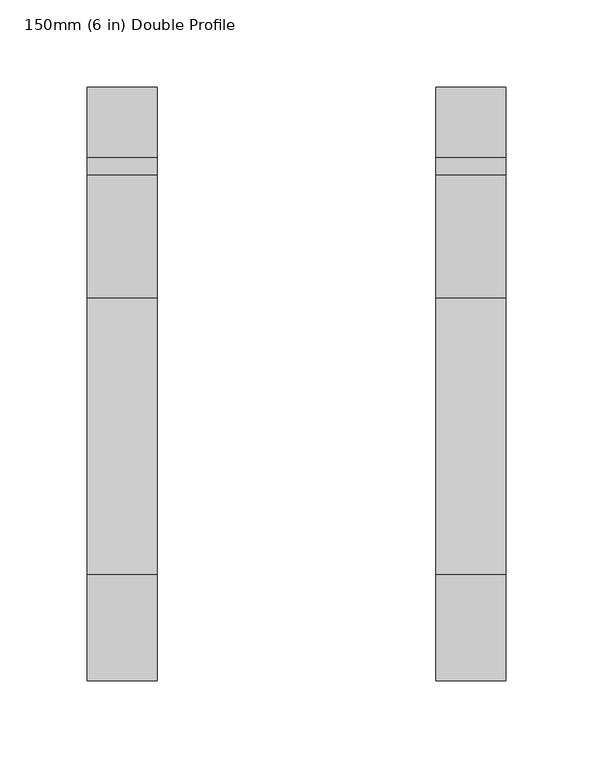
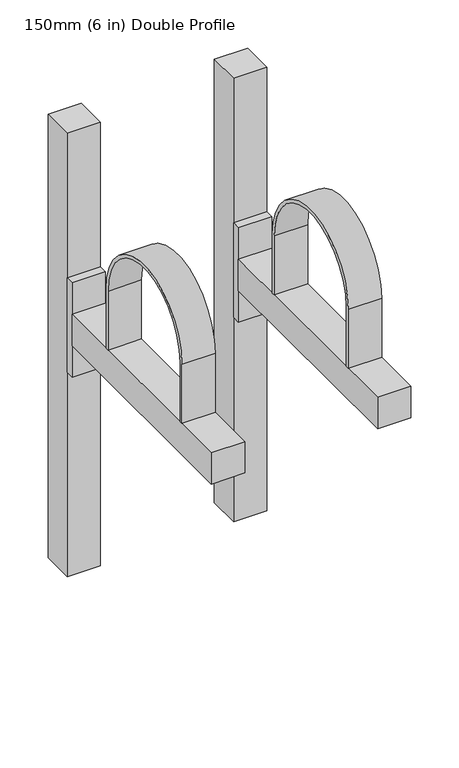
"""IFC4 building model written with IfcOpenShell, lengths in millimetres: proxy geometry, 150mm (6 in) Double Profile."""

import ifcopenshell
import ifcopenshell.guid

model = None  # the IFC model being written
_history = None  # IfcOwnerHistory: only IFC2X3 demands one
_inside = {}  # id of a spatial element -> (the spatial element, [elements in it])
_under = {}  # id of a project, library or spatial element -> (it, [spatial elements below it])
_declared = {}  # id of a project -> (the project, [libraries it declares])
_typed = {}  # id of a type object -> (the type object, [elements of that type])
_made_of = {}  # id of a material, layer set ... -> (it, [elements and type objects made of it])


def new_model(schema):
    """Start an empty IFC model of exactly this schema.

    Asked for "IFC4X3", IfcOpenShell would pick the latest addendum, in which some entities
    have other attributes; the version numbers below select the first issue.
    IFC2X3 requires an IfcOwnerHistory on every rooted entity: one is made here for all.
    """
    global model, _history
    if schema == "IFC4X3":
        model = ifcopenshell.file(schema_version=(4, 3, 0, 0))
    else:
        model = ifcopenshell.file(schema=schema)
    _inside.clear()
    _under.clear()
    _declared.clear()
    _typed.clear()
    _made_of.clear()
    _history = None
    if model.schema == "IFC2X3":
        org = make("IfcOrganization", Name="unknown")
        user = make(
            "IfcPersonAndOrganization",
            ThePerson=make("IfcPerson", FamilyName="unknown"),
            TheOrganization=org,
        )
        app = make(
            "IfcApplication",
            ApplicationDeveloper=org,
            Version="unknown",
            ApplicationFullName="unknown",
            ApplicationIdentifier="unknown",
        )
        _history = make(
            "IfcOwnerHistory",
            OwningUser=user,
            OwningApplication=app,
            ChangeAction="ADDED",
            CreationDate=0,
        )
    return model


def make(cls, **values):
    """One entity of the class cls with the attributes given. An attribute that is None is left unset."""
    return model.create_entity(
        cls, **{name: value for name, value in values.items() if value is not None}
    )


def rooted(cls, **values):
    """An entity with a GlobalId (a new one), such as an element, a storey or a relation."""
    return make(cls, GlobalId=ifcopenshell.guid.new(), OwnerHistory=_history, **values)


def si_unit(unit_type, name, prefix=None):
    """IfcSIUnit, for example si_unit("LENGTHUNIT", "METRE", prefix="MILLI")."""
    return make("IfcSIUnit", UnitType=unit_type, Prefix=prefix, Name=name)


def assignment(units):
    """IfcUnitAssignment: the units of a project."""
    return None if units is None else make("IfcUnitAssignment", Units=units)


def point(xyz):
    """IfcCartesianPoint."""
    return None if xyz is None else make("IfcCartesianPoint", Coordinates=xyz)


def direction(xyz):
    """IfcDirection."""
    return None if xyz is None else make("IfcDirection", DirectionRatios=xyz)


def frame(location, z_axis=None, x_axis=None):
    """IfcAxis2Placement3D, a coordinate frame: its origin and axes. An axis left out is left unset."""
    return make(
        "IfcAxis2Placement3D",
        Location=point(location),
        Axis=direction(z_axis),
        RefDirection=direction(x_axis),
    )


def frame_2d(location, x_axis=None):
    """IfcAxis2Placement2D, a coordinate frame in the plane: its origin and x axis."""
    return make(
        "IfcAxis2Placement2D", Location=point(location), RefDirection=direction(x_axis)
    )


def origin():
    """The frame at (0, 0, 0) with its axes left unset."""
    return frame((0.0, 0.0, 0.0))


def origin_with_axes():
    """The frame at (0, 0, 0) with the z axis (0, 0, 1) and the x axis (1, 0, 0) written out."""
    return frame((0.0, 0.0, 0.0), z_axis=(0.0, 0.0, 1.0), x_axis=(1.0, 0.0, 0.0))


def place(relative_to, where):
    """IfcLocalPlacement: puts the frame where relative to a parent placement (None: the world)."""
    return make(
        "IfcLocalPlacement", PlacementRelTo=relative_to, RelativePlacement=where
    )


def context(
    kind, dimensions, precision=None, world=None, true_north=None, identifier=None
):
    """IfcGeometricRepresentationContext, for example the 3D "Model" context."""
    return make(
        "IfcGeometricRepresentationContext",
        ContextIdentifier=identifier,
        ContextType=kind,
        CoordinateSpaceDimension=dimensions,
        Precision=precision,
        WorldCoordinateSystem=world,
        TrueNorth=true_north,
    )


def project(units=None, contexts=None):
    """IfcProject with its units and contexts."""
    return rooted(
        "IfcProject",
        Name="project",
        RepresentationContexts=contexts,
        UnitsInContext=assignment(units),
    )


def spatial(cls, under=None, at=None, **own):
    """A site, building, storey or space (cls), placed at a placement, below another one or the project."""
    s = rooted(cls, ObjectPlacement=at, **own)
    if under is not None:
        _under.setdefault(under.id(), (under, []))[1].append(s)
    return s


def polyline(points):
    """IfcPolyline through the points."""
    return make("IfcPolyline", Points=[point(p) for p in points])


def circle_curve(where, radius):
    """IfcCircle in the frame where."""
    return make("IfcCircle", Position=where, Radius=radius)


def trimmed(basis, trim1, trim2, sense, master):
    """IfcTrimmedCurve: the piece of a basis curve between two trims."""
    return make(
        "IfcTrimmedCurve",
        BasisCurve=basis,
        Trim1=trim1,
        Trim2=trim2,
        SenseAgreement=sense,
        MasterRepresentation=master,
    )


def segment(curve, same_sense, transition):
    """IfcCompositeCurveSegment."""
    return make(
        "IfcCompositeCurveSegment",
        Transition=transition,
        SameSense=same_sense,
        ParentCurve=curve,
    )


def composite_curve(segments, self_intersect=None):
    """IfcCompositeCurve: segments joined end to end."""
    return make("IfcCompositeCurve", Segments=segments, SelfIntersect=self_intersect)


def outline(outer, holes=None, kind="AREA"):
    """IfcArbitraryClosedProfileDef: a profile drawn as a closed curve; with holes, ...WithVoids."""
    if holes is None:
        return make("IfcArbitraryClosedProfileDef", ProfileType=kind, OuterCurve=outer)
    return make(
        "IfcArbitraryProfileDefWithVoids",
        ProfileType=kind,
        OuterCurve=outer,
        InnerCurves=holes,
    )


def extrude(swept, where, along, depth):
    """IfcExtrudedAreaSolid: the profile swept, set in the frame where, extruded along a direction by depth."""
    return make(
        "IfcExtrudedAreaSolid",
        SweptArea=swept,
        Position=where,
        ExtrudedDirection=direction(along),
        Depth=depth,
    )


def shape(context_of_items, identifier, shape_type, items):
    """IfcShapeRepresentation: the items that make up one representation, for example the "Body"."""
    return make(
        "IfcShapeRepresentation",
        ContextOfItems=context_of_items,
        RepresentationIdentifier=identifier,
        RepresentationType=shape_type,
        Items=items,
    )


def source(mapping_origin, context_of_items, identifier, shape_type, items):
    """IfcRepresentationMap: a shape defined once, which mapped items show again and again."""
    return make(
        "IfcRepresentationMap",
        MappingOrigin=mapping_origin,
        MappedRepresentation=shape(context_of_items, identifier, shape_type, items),
    )


def transform(
    local_origin,
    x_axis=None,
    y_axis=None,
    z_axis=None,
    scale=None,
    scale2=None,
    scale3=None,
    uniform=True,
):
    """IfcCartesianTransformationOperator3D, or its non-uniform kind. x_axis, y_axis, z_axis: its Axis1, 2, 3."""
    if uniform:
        return make(
            "IfcCartesianTransformationOperator3D",
            Axis1=direction(x_axis),
            Axis2=direction(y_axis),
            LocalOrigin=point(local_origin),
            Scale=scale,
            Axis3=direction(z_axis),
        )
    return make(
        "IfcCartesianTransformationOperator3DnonUniform",
        Axis1=direction(x_axis),
        Axis2=direction(y_axis),
        LocalOrigin=point(local_origin),
        Scale=scale,
        Axis3=direction(z_axis),
        Scale2=scale2,
        Scale3=scale3,
    )


def mapped(mapping_source, mapping_target):
    """IfcMappedItem: shows the shape of a source again, moved by a transform."""
    return make(
        "IfcMappedItem", MappingSource=mapping_source, MappingTarget=mapping_target
    )


def made_of(thing, what):
    """Note that an element or type object is made of a material, layer set ...; save() writes the relation."""
    if what is not None:
        _made_of.setdefault(what.id(), (what, []))[1].append(thing)
    return thing


def element(
    cls,
    number,
    at=None,
    inside=None,
    cuts=None,
    type_object=None,
    material=None,
    context=None,
    identifier="Body",
    shape_type=None,
    held_by="IfcProductDefinitionShape",
    body=None,
    shapes=None,
    **own,
):
    """One element of the class cls, such as IfcWall. Its Tag is "e" and its number.

    at: its placement. inside: the storey or other place that contains it. cuts: it is an
    opening in that element (IfcRelVoidsElement). A single representation is given by context,
    identifier, shape_type and body (its items); several are given by shapes. held_by: the class
    of the entity that holds the representations. save() writes the other relations.
    """
    e = rooted(cls, Tag="e%d" % number, ObjectPlacement=at, **own)
    if body is not None:
        shapes = [shape(context, identifier, shape_type, body)]
    if shapes is not None:
        e.Representation = make(held_by, Representations=shapes)
    if inside is not None:
        _inside.setdefault(inside.id(), (inside, []))[1].append(e)
    if cuts is not None:
        rooted(
            "IfcRelVoidsElement", RelatingBuildingElement=cuts, RelatedOpeningElement=e
        )
    if type_object is not None:
        _typed.setdefault(type_object.id(), (type_object, []))[1].append(e)
    return made_of(e, material)


def aggregate(whole, parts):
    """IfcRelAggregates: a whole, such as a stair, and the parts it consists of."""
    return rooted("IfcRelAggregates", RelatingObject=whole, RelatedObjects=parts)


def save(model, path):
    """Write the relations noted so far, then the file.

    IfcRelAggregates (storeys below a building ...), IfcRelContainedInSpatialStructure (elements
    in a storey), IfcRelDefinesByType, IfcRelAssociatesMaterial and IfcRelDeclares: one each for
    every whole, place, type object, material and project.
    """
    for whole, parts in _under.values():
        aggregate(whole, parts)
    for where, things in _inside.values():
        rooted(
            "IfcRelContainedInSpatialStructure",
            RelatedElements=things,
            RelatingStructure=where,
        )
    for kind, things in _typed.values():
        rooted("IfcRelDefinesByType", RelatedObjects=things, RelatingType=kind)
    for what, things in _made_of.values():
        rooted("IfcRelAssociatesMaterial", RelatedObjects=things, RelatingMaterial=what)
    for by, libraries in _declared.values():
        rooted("IfcRelDeclares", RelatingContext=by, RelatedDefinitions=libraries)
    model.write(path)


def proxy_150mm_6_in_double_profile_1c9df84a(model_context):
    return source(origin(), model_context, "Body", "SweptSolid", [
        extrude(outline(composite_curve([segment(polyline([(-275.0, 415.0), (-275.0, 340.0), (-279.0, 340.0), (-279.0, 415.0)]), True, "CONTINUOUS"), segment(trimmed(circle_curve(frame_2d((-200.0, 415.0)), 79.0), [point((-279.0, 415.0))], [point((-121.0, 415.0))], False, "CARTESIAN"), True, "CONTINUOUS"), segment(polyline([(-121.0, 415.0), (-121.0, 340.0), (-125.0, 340.0), (-125.0, 415.0)]), True, "CONTINUOUS"), segment(trimmed(circle_curve(frame_2d((-200.0, 415.0)), 75.0), [point((-125.0, 415.0))], [point((-275.0, 415.0))], True, "CARTESIAN"), True, "CONTINUOUS")], self_intersect=False)), frame((180.0, 0.0, 0.0), z_axis=(1.0, 0.0, 0.0), x_axis=(0.0, 1.0, 0.0)), (0.0, 0.0, 1.0), 40.0),
        extrude(outline(polyline([(220.0, -50.0), (220.0, -340.0), (180.0, -340.0), (180.0, -50.0), (220.0, -50.0)])), frame((0.0, 0.0, 300.0), z_axis=(0.0, 0.0, 1.0), x_axis=(1.0, 0.0, 0.0)), (0.0, 0.0, 1.0), 40.0),
        extrude(outline(polyline([(220.0, -40.0), (220.0, -50.0), (180.0, -50.0), (180.0, -40.0), (220.0, -40.0)])), frame((0.0, 0.0, 260.0), z_axis=(0.0, 0.0, 1.0), x_axis=(1.0, 0.0, 0.0)), (0.0, 0.0, 1.0), 120.0),
        extrude(outline(polyline([(220.0, 0.0), (220.0, -40.0), (180.0, -40.0), (180.0, 0.0), (220.0, 0.0)])), origin_with_axes(), (0.0, 0.0, 1.0), 564.1051687),
        extrude(outline(composite_curve([segment(polyline([(-275.0, 415.0), (-275.0, 340.0), (-279.0, 340.0), (-279.0, 415.0)]), True, "CONTINUOUS"), segment(trimmed(circle_curve(frame_2d((-200.0, 415.0)), 79.0), [point((-279.0, 415.0))], [point((-121.0, 415.0))], False, "CARTESIAN"), True, "CONTINUOUS"), segment(polyline([(-121.0, 415.0), (-121.0, 340.0), (-125.0, 340.0), (-125.0, 415.0)]), True, "CONTINUOUS"), segment(trimmed(circle_curve(frame_2d((-200.0, 415.0)), 75.0), [point((-125.0, 415.0))], [point((-275.0, 415.0))], True, "CARTESIAN"), True, "CONTINUOUS")], self_intersect=False)), frame((-20.0, 0.0, 0.0), z_axis=(1.0, 0.0, 0.0), x_axis=(0.0, 1.0, 0.0)), (0.0, 0.0, 1.0), 40.0),
        extrude(outline(polyline([(20.0, -50.0), (20.0, -340.0), (-20.0, -340.0), (-20.0, -50.0), (20.0, -50.0)])), frame((0.0, 0.0, 300.0), z_axis=(0.0, 0.0, 1.0), x_axis=(1.0, 0.0, 0.0)), (0.0, 0.0, 1.0), 40.0),
        extrude(outline(polyline([(20.0, -40.0), (20.0, -50.0), (-20.0, -50.0), (-20.0, -40.0), (20.0, -40.0)])), frame((0.0, 0.0, 260.0), z_axis=(0.0, 0.0, 1.0), x_axis=(1.0, 0.0, 0.0)), (0.0, 0.0, 1.0), 120.0),
        extrude(outline(polyline([(20.0, 0.0), (20.0, -40.0), (-20.0, -40.0), (-20.0, 0.0), (20.0, 0.0)])), origin_with_axes(), (0.0, 0.0, 1.0), 564.1051687),
    ])


if __name__ == "__main__":
    model = new_model("IFC4")
    model_context = context("Model", 3, world=origin())
    ifc_project = project(units=[si_unit("LENGTHUNIT", "METRE", prefix="MILLI")], contexts=[model_context])
    site = spatial("IfcSite", under=ifc_project)
    building = spatial("IfcBuilding", under=site)
    placement = place(None, origin())
    proxy_150mm_6_in_double_profile_shape = proxy_150mm_6_in_double_profile_1c9df84a(model_context)
    element("IfcBuildingElementProxy", 1, Name="150mm (6 in) Double Profile", ObjectType="150mm (6 in) Double Profile", at=placement, inside=building, context=model_context, shape_type="MappedRepresentation", body=[
        mapped(proxy_150mm_6_in_double_profile_shape, transform((0.0, 0.0, 0.0), x_axis=(1.0, 0.0, 0.0), y_axis=(0.0, 1.0, 0.0), z_axis=(0.0, 0.0, 1.0))),
    ])
    save(model, "model.ifc")
